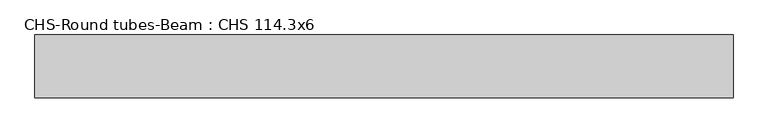
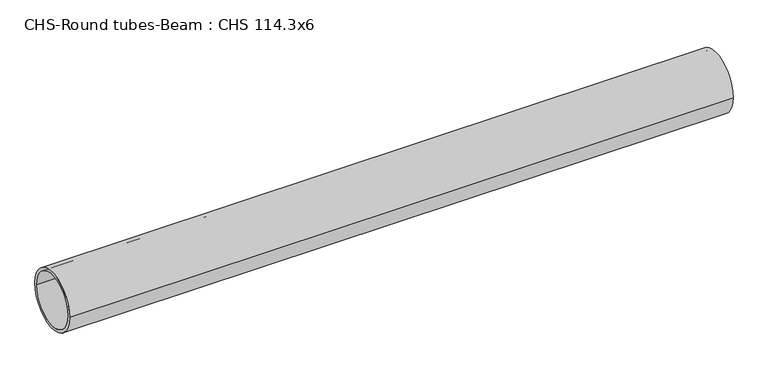
"""IFC4 building model written with IfcOpenShell, lengths in millimetres: beam geometry, CHS-Round tubes-Beam : CHS 114.3x6."""

from ifc_helpers import new_model, si_unit, point, frame, origin, origin_2d, place, context, project, spatial, circle_curve, trimmed, segment, composite_curve, outline, extrude, source, transform, mapped, element, save


def chs_round_tubes_beam_chs_114_3x6_7f98b6bb(model_context):
    return source(origin(), model_context, "Body", "SweptSolid", [
        extrude(outline(composite_curve([segment(trimmed(circle_curve(origin_2d(), 57.15), [point((57.15, 0.0))], [point((-57.15, 0.0))], False, "CARTESIAN"), True, "CONTINUOUS"), segment(trimmed(circle_curve(origin_2d(), 57.15), [point((-57.15, 0.0))], [point((57.15, 0.0))], False, "CARTESIAN"), True, "CONTINUOUS")], self_intersect=False), holes=[composite_curve([segment(trimmed(circle_curve(origin_2d(), 51.15), [point((51.15, 0.0))], [point((-51.15, 0.0))], True, "CARTESIAN"), True, "CONTINUOUS"), segment(trimmed(circle_curve(origin_2d(), 51.15), [point((-51.15, 0.0))], [point((51.15, 0.0))], True, "CARTESIAN"), True, "CONTINUOUS")], self_intersect=False)]), frame((-627.0641344, 0.0, 0.0), z_axis=(1.0, 0.0, 0.0), x_axis=(0.0, 1.0, 0.0)), (0.0, 0.0, 1.0), 1265.8299896),
    ])


if __name__ == "__main__":
    model = new_model("IFC4")
    model_context = context("Model", 3, world=origin())
    ifc_project = project(units=[si_unit("LENGTHUNIT", "METRE", prefix="MILLI")], contexts=[model_context])
    site = spatial("IfcSite", under=ifc_project)
    building = spatial("IfcBuilding", under=site)
    placement = place(None, origin())
    chs_round_tubes_beam_chs_114_3x6_shape = chs_round_tubes_beam_chs_114_3x6_7f98b6bb(model_context)
    element("IfcBeam", 1, ObjectType="CHS-Round tubes-Beam : CHS 114.3x6", at=placement, inside=building, context=model_context, shape_type="MappedRepresentation", body=[
        mapped(chs_round_tubes_beam_chs_114_3x6_shape, transform((0.0, 0.0, 0.0), x_axis=(1.0, 0.0, 0.0), y_axis=(0.0, 1.0, 0.0), z_axis=(0.0, 0.0, 1.0))),
    ])
    save(model, "model.ifc")
